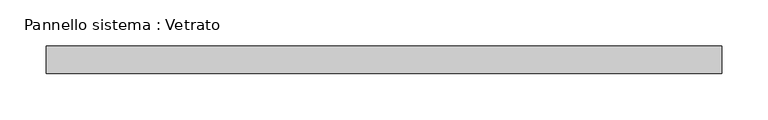
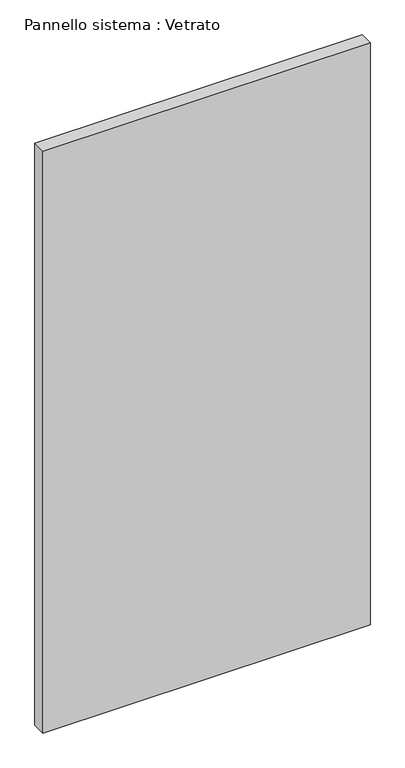
"""IFC4 building model written with IfcOpenShell, lengths in millimetres: plate geometry, Pannello sistema : Vetrato."""

from ifc_helpers import new_model, si_unit, origin, origin_with_axes, place, context, project, spatial, polyline, outline, extrude, source, transform, mapped, element, save


def pannello_sistema_vetrato_ff847958(model_context):
    return source(origin(), model_context, "Body", "SweptSolid", [
        extrude(outline(polyline([(365.7746457, -15.0), (-365.7746457, -15.0), (-365.7746457, 15.0), (365.7746457, 15.0), (365.7746457, -15.0)])), origin_with_axes(), (0.0, 0.0, 1.0), 1375.0),
    ])


if __name__ == "__main__":
    model = new_model("IFC4")
    model_context = context("Model", 3, world=origin())
    ifc_project = project(units=[si_unit("LENGTHUNIT", "METRE", prefix="MILLI")], contexts=[model_context])
    site = spatial("IfcSite", under=ifc_project)
    building = spatial("IfcBuilding", under=site)
    placement = place(None, origin())
    pannello_sistema_vetrato_shape = pannello_sistema_vetrato_ff847958(model_context)
    element("IfcPlate", 1, ObjectType="Pannello sistema : Vetrato", at=placement, inside=building, context=model_context, shape_type="MappedRepresentation", body=[
        mapped(pannello_sistema_vetrato_shape, transform((0.0, 0.0, 0.0), x_axis=(1.0, 0.0, 0.0), y_axis=(0.0, 1.0, 0.0), z_axis=(0.0, 0.0, 1.0))),
    ])
    save(model, "model.ifc")
